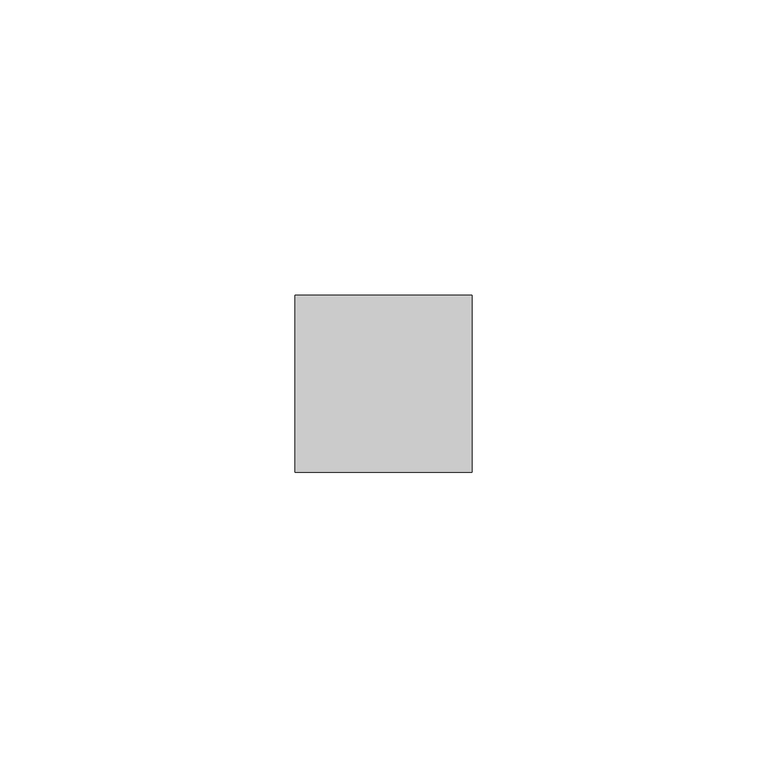
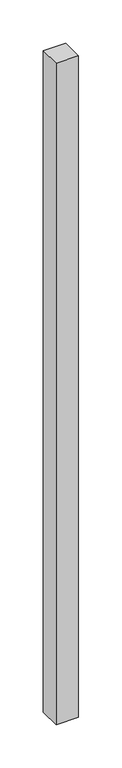
"""IFC4 building model written with IfcOpenShell, lengths in millimetres: member geometry."""

from ifc_helpers import new_model, si_unit, frame, origin, place, context, project, spatial, polyline, outline, extrude, source, transform, mapped, element, save


def member_eb3b1d39(model_context):
    return source(origin(), model_context, "Body", "SweptSolid", [
        extrude(outline(polyline([(15.0, 15.0), (15.0, -15.0), (-15.0, -15.0), (-15.0, 15.0), (15.0, 15.0)])), frame((0.0, 0.0, -936.5982143), z_axis=(0.0, 0.0, 1.0), x_axis=(1.0, 0.0, 0.0)), (0.0, 0.0, 1.0), 936.5982143),
    ])


if __name__ == "__main__":
    model = new_model("IFC4")
    model_context = context("Model", 3, world=origin())
    ifc_project = project(units=[si_unit("LENGTHUNIT", "METRE", prefix="MILLI")], contexts=[model_context])
    site = spatial("IfcSite", under=ifc_project)
    building = spatial("IfcBuilding", under=site)
    placement = place(None, origin())
    member_shape = member_eb3b1d39(model_context)
    element("IfcMember", 1, at=placement, inside=building, context=model_context, shape_type="MappedRepresentation", body=[
        mapped(member_shape, transform((0.0, 0.0, 0.0), x_axis=(1.0, 0.0, 0.0), y_axis=(0.0, 1.0, 0.0), z_axis=(0.0, 0.0, 1.0))),
    ])
    save(model, "model.ifc")
